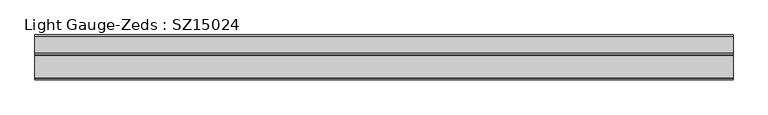
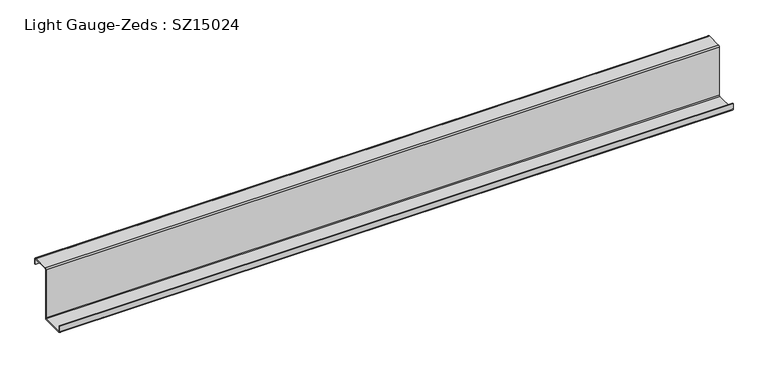
"""IFC4 building model written with IfcOpenShell, lengths in millimetres: beam geometry, Light Gauge-Zeds : SZ15024."""

from ifc_helpers import new_model, si_unit, point, frame, frame_2d, origin, place, context, project, spatial, polyline, circle_curve, trimmed, segment, composite_curve, outline, extrude, source, transform, mapped, element, save


def light_gauge_zeds_sz15024_bddbc821(model_context):
    return source(origin(), model_context, "Body", "SweptSolid", [
        extrude(outline(composite_curve([segment(trimmed(circle_curve(frame_2d((-4.4, -71.6)), 4.4), [point((0.0, -71.6))], [point((-4.4, -76.0))], False, "CARTESIAN"), True, "CONTINUOUS"), segment(polyline([(-4.4, -76.0), (-65.6, -76.0)]), True, "CONTINUOUS"), segment(trimmed(circle_curve(frame_2d((-65.6, -71.6)), 4.4), [point((-65.6, -76.0))], [point((-70.0, -71.6))], False, "CARTESIAN"), True, "CONTINUOUS"), segment(polyline([(-70.0, -71.6), (-70.0, -56.0), (-67.6, -56.0), (-67.6, -71.6)]), True, "CONTINUOUS"), segment(trimmed(circle_curve(frame_2d((-65.6, -71.6)), 2.0), [point((-67.6, -71.6))], [point((-65.6, -73.6))], True, "CARTESIAN"), True, "CONTINUOUS"), segment(polyline([(-65.6, -73.6), (-4.4, -73.6)]), True, "CONTINUOUS"), segment(trimmed(circle_curve(frame_2d((-4.4, -71.6)), 2.0), [point((-4.4, -73.6))], [point((-2.4, -71.6))], True, "CARTESIAN"), True, "CONTINUOUS"), segment(polyline([(-2.4, -71.6), (-2.4, 71.6)]), True, "CONTINUOUS"), segment(trimmed(circle_curve(frame_2d((2.0, 71.6)), 4.4), [point((-2.4, 71.6))], [point((2.0, 76.0))], False, "CARTESIAN"), True, "CONTINUOUS"), segment(polyline([(2.0, 76.0), (47.6, 76.0)]), True, "CONTINUOUS"), segment(trimmed(circle_curve(frame_2d((47.6, 71.6)), 4.4), [point((47.6, 76.0))], [point((52.0, 71.6))], False, "CARTESIAN"), True, "CONTINUOUS"), segment(polyline([(52.0, 71.6), (52.0, 57.0), (49.6, 57.0), (49.6, 71.6)]), True, "CONTINUOUS"), segment(trimmed(circle_curve(frame_2d((47.6, 71.6)), 2.0), [point((49.6, 71.6))], [point((47.6, 73.6))], True, "CARTESIAN"), True, "CONTINUOUS"), segment(polyline([(47.6, 73.6), (2.0, 73.6)]), True, "CONTINUOUS"), segment(trimmed(circle_curve(frame_2d((2.0, 71.6)), 2.0), [point((2.0, 73.6))], [point((0.0, 71.6))], True, "CARTESIAN"), True, "CONTINUOUS"), segment(polyline([(0.0, 71.6), (0.0, -71.6)]), True, "CONTINUOUS")], self_intersect=False)), frame((-950.0, 0.0, 0.0), z_axis=(1.0, 0.0, 0.0), x_axis=(0.0, 1.0, 0.0)), (0.0, 0.0, 1.0), 1900.0),
    ])


if __name__ == "__main__":
    model = new_model("IFC4")
    model_context = context("Model", 3, world=origin())
    ifc_project = project(units=[si_unit("LENGTHUNIT", "METRE", prefix="MILLI")], contexts=[model_context])
    site = spatial("IfcSite", under=ifc_project)
    building = spatial("IfcBuilding", under=site)
    placement = place(None, origin())
    light_gauge_zeds_sz15024_shape = light_gauge_zeds_sz15024_bddbc821(model_context)
    element("IfcBeam", 1, ObjectType="Light Gauge-Zeds : SZ15024", at=placement, inside=building, context=model_context, shape_type="MappedRepresentation", body=[
        mapped(light_gauge_zeds_sz15024_shape, transform((0.0, 0.0, 0.0), x_axis=(1.0, 0.0, 0.0), y_axis=(0.0, 1.0, 0.0), z_axis=(0.0, 0.0, 1.0))),
    ])
    save(model, "model.ifc")
